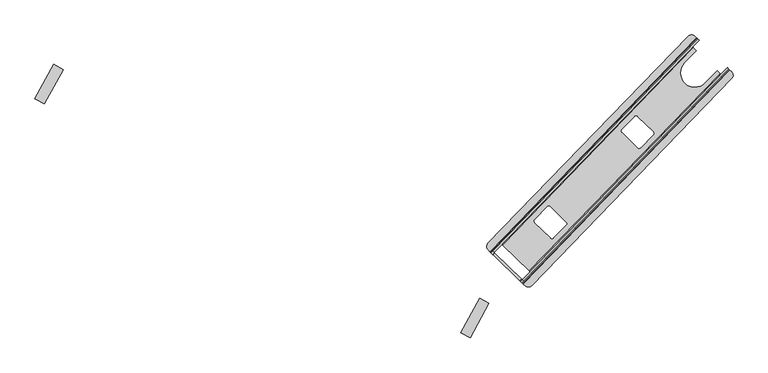
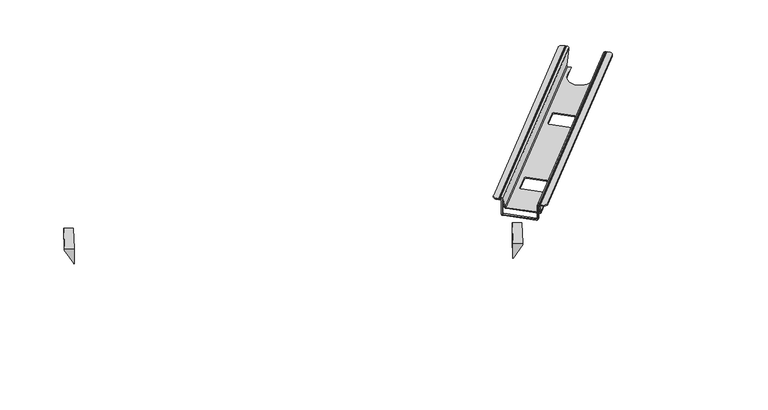
"""IFC4 building model written with IfcOpenShell, lengths in millimetres: furniture geometry."""

from ifc_helpers import new_model, si_unit, point, frame, frame_2d, origin, place, context, project, spatial, polyline, circle_curve, ellipse_curve, trimmed, segment, composite_curve, outline, extrude, source, transform, mapped, element, save
from ifc_brep_helpers import plane_surface, cylinder_surface, revolved_surface, advanced_brep


def furniture_286152d6(model_context):
    return source(origin(), model_context, "Body", "SolidModel", [
        advanced_brep(
        [(1772.1801517, -98.0018121, 543.7799265), (1772.1801517, -98.0018121, 539.8204247), (1770.0313229, -95.9249045, 539.8204247), (1770.0313229, -95.9249045, 543.7314043), (1773.6840332, -99.4553587, 548.8114043), (1774.8689874, -100.6006526, 548.8114043), (1774.8689874, -100.6006526, 545.8119265), (1773.6412357, -99.4139937, 545.8119265), (1699.9931411, -28.2308973, 543.7314044), (1699.9931411, -28.2308973, 539.8204247), (1697.8443137, -26.1539911, 539.8204247), (1697.8443137, -26.1539911, 543.7799266), (1696.3832297, -24.7418095, 545.8119264), (1694.8094284, -23.2206832, 545.8119264), (1694.8094284, -23.2206832, 548.8114043), (1696.3404309, -24.7004431, 548.8114043), (1183.6366747, -558.1681175, 501.4002168), (1187.654656, -562.0516172, 495.8122168), (1253.9545313, -626.1324388, 495.8122168), (1257.9725126, -630.0159385, 501.4002168), (1257.9725126, -630.0159385, 543.7799265), (1259.4335967, -631.4281201, 545.8119265), (1260.6613483, -632.614779, 545.8119265), (1260.6613483, -632.614779, 548.8114043), (1259.4763941, -631.4694851, 548.8114043), (1255.8236839, -627.9390309, 543.7314043), (1255.8236839, -627.9390309, 501.3313268), (1253.9973287, -626.1738038, 498.7913268), (1187.6118572, -562.0102508, 498.7913268), (1185.7855021, -560.2450237, 501.3313268), (1185.7855021, -560.2450237, 543.7314044), (1182.1327918, -556.7145695, 548.8114043), (1180.6017894, -555.2348096, 548.8114043), (1180.6017894, -555.2348096, 545.8119264), (1182.1755906, -556.7559358, 545.8119264), (1183.6366747, -558.1681175, 543.7799266), (1330.1300026, -519.7254436, 495.8122168), (1291.0331957, -481.5289052, 495.8122168), (1291.0331957, -481.5289052, 498.7913268), (1330.1300026, -519.7254436, 498.7913268), (1290.9305083, -474.3647562, 495.8122168), (1290.9305083, -474.3647562, 498.7913268), (1322.0551917, -442.1622566, 495.8122168), (1322.0551917, -442.1622566, 498.7913268), (1329.2579141, -442.0590056, 495.8122168), (1329.2579141, -442.0590056, 498.7913268), (1368.526956, -480.4235829, 495.8122168), (1368.526956, -480.4235829, 498.7913268), (1368.6106328, -487.6073172, 495.8122168), (1368.6106328, -487.6073172, 498.7913268), (1337.3137144, -519.6417779, 495.8122168), (1337.3137144, -519.6417779, 498.7913268), (1547.1489955, -295.1913038, 495.8122168), (1508.0521886, -256.9947654, 495.8122168), (1508.0521886, -256.9947654, 498.7913268), (1547.1489955, -295.1913038, 498.7913268), (1507.9495012, -249.8306164, 495.8122168), (1507.9495012, -249.8306164, 498.7913268), (1539.0741846, -217.6281168, 495.8122168), (1539.0741846, -217.6281168, 498.7913268), (1546.2769069, -217.5248658, 495.8122168), (1546.2769069, -217.5248658, 498.7913268), (1585.5459489, -255.8894431, 495.8122168), (1585.5459489, -255.8894431, 498.7913268), (1585.6296257, -263.0731774, 495.8122168), (1585.6296257, -263.0731774, 498.7913268), (1554.3327073, -295.1076381, 495.8122168), (1554.3327073, -295.1076381, 498.7913268), (1756.2621679, -114.3230085, 500.332968), (1751.6994057, -111.1511658, 495.8122168), (1744.0056814, -103.7149501, 495.8122168), (1744.4134245, -103.2930873, 498.7913268), (1752.1499462, -110.770668, 498.7913268), (1754.0403078, -112.1755139, 500.332968), (1684.2961139, -44.7656549, 500.332968), (1685.7644747, -46.6071151, 498.7913268), (1692.6906862, -53.3015066, 498.7913268), (1692.2829432, -53.7233694, 495.8122168), (1685.3995305, -47.0703442, 495.8122168), (1682.0742552, -42.6181617, 500.332968), (1754.5878851, -111.9031329, 501.3313268), (1756.7643554, -113.9514417, 501.4002168), (1682.4285175, -42.1036207, 501.4002168), (1684.5497033, -44.2091256, 501.3313268), (1714.9466045, -133.7803132, 498.7913268), (1714.9466045, -133.7803132, 495.8122168), (1663.2238663, -83.7887325, 495.8122168), (1663.2238663, -83.7887325, 498.7913268), (1263.4629056, -627.3449248, 548.8114043), (1261.8485041, -621.7055773, 543.7314043), (1278.8611907, -604.1037587, 501.3313268), (1279.1147755, -603.5472639, 500.3330164), (1281.3366275, -605.6947507, 500.3330164), (1280.9823779, -606.209265, 501.4002168), (1263.9778637, -623.8026282, 543.7799265), (1264.6236243, -626.0583672, 545.8119265), (1265.8513759, -627.245026, 545.8119265), (1264.6478598, -628.4902187, 548.8114043), (1184.5883009, -551.1102493, 548.8114043), (1185.791817, -549.8650566, 545.8119264), (1187.3656183, -551.3861829, 545.8119264), (1189.6420257, -551.9548072, 543.7799266), (1206.6465399, -534.361444, 501.4002168), (1207.1487012, -533.9898907, 500.3330164), (1209.3705519, -536.1373762, 500.3330164), (1208.8230089, -536.4097515, 501.3313268), (1191.8103222, -554.0115701, 543.7314044), (1186.1193033, -552.5900092, 548.8114043), (1277.6349203, -601.7176664, 498.7913268), (1211.2494488, -537.5541135, 498.7913268), (1211.6777952, -537.1965811, 495.8122168), (1277.9776705, -601.2774027, 495.8122168), (1264.6478598, -628.4902187, 545.8119265), (1263.4201082, -627.3035598, 545.8119265), (1261.9590241, -625.8913781, 543.7799265), (1261.9590241, -625.8913781, 501.4002168), (1257.9410428, -622.0078784, 495.8122168), (1191.6411675, -557.9270568, 495.8122168), (1187.6231862, -554.0435571, 501.4002168), (1187.6231862, -554.0435571, 543.7799266), (1186.1621021, -552.6313755, 545.8119264), (1184.5883009, -551.1102493, 545.8119264), (1189.7720136, -556.1204634, 543.7314044), (1189.7720136, -556.1204634, 501.3313268), (1191.5983687, -557.8856905, 498.7913268), (1257.9838402, -622.0492434, 498.7913268), (1259.8101954, -623.8144706, 501.3313268), (1259.8101954, -623.8144706, 543.7314043)],
        [
            (0, 1),
            (1, 2),
            (2, 3),
            (3, 4, circle_curve(frame((1773.6840332, -99.4553587, 543.7314043), z_axis=(0.6949713135982722, 0.71903746305425, 0.0), x_axis=(0.71903746305425, -0.6949713135982722, 0.0)), 5.0799999)),
            (4, 5),
            (5, 6),
            (6, 7),
            (7, 0, circle_curve(frame((1773.6412357, -99.4139937, 543.7799265), z_axis=(-0.6949713135982722, -0.71903746305425, 0.0), x_axis=(0.71903746305425, -0.6949713135982722, 0.0)), 2.0319999)),
            (8, 9),
            (9, 10),
            (10, 11),
            (11, 12, circle_curve(frame((1696.3832297, -24.7418095, 543.7799266), z_axis=(-0.6949713135982722, -0.71903746305425, 0.0), x_axis=(0.71903746305425, -0.6949713135982722, 0.0)), 2.0319999)),
            (12, 13),
            (13, 14),
            (14, 15),
            (15, 8, circle_curve(frame((1696.3404309, -24.7004431, 543.7314044), z_axis=(0.6949713135982722, 0.71903746305425, 0.0), x_axis=(0.71903746305425, -0.6949713135982722, 0.0)), 5.0799999)),
            (16, 17, circle_curve(frame((1187.654656, -562.0516172, 501.4002168), z_axis=(-0.6949713135982722, -0.71903746305425, 0.0), x_axis=(0.71903746305425, -0.6949713135982722, 0.0)), 5.588)),
            (17, 18),
            (18, 19, circle_curve(frame((1253.9545313, -626.1324388, 501.4002168), z_axis=(-0.6949713135982722, -0.71903746305425, 0.0), x_axis=(0.71903746305425, -0.6949713135982722, 0.0)), 5.588)),
            (19, 20),
            (20, 21, circle_curve(frame((1259.4335967, -631.4281201, 543.7799265), z_axis=(0.6949713135982722, 0.71903746305425, 0.0), x_axis=(0.71903746305425, -0.6949713135982722, 0.0)), 2.0319999)),
            (21, 22),
            (22, 23),
            (23, 24),
            (24, 25, circle_curve(frame((1259.4763941, -631.4694851, 543.7314043), z_axis=(-0.6949713135982722, -0.71903746305425, 0.0), x_axis=(0.71903746305425, -0.6949713135982722, 0.0)), 5.0799999)),
            (25, 26),
            (26, 27, circle_curve(frame((1253.9973287, -626.1738038, 501.3313268), z_axis=(0.6949713135982722, 0.71903746305425, 0.0), x_axis=(0.71903746305425, -0.6949713135982722, 0.0)), 2.54)),
            (27, 28),
            (28, 29, circle_curve(frame((1187.6118572, -562.0102508, 501.3313268), z_axis=(0.6949713135982722, 0.71903746305425, 0.0), x_axis=(0.71903746305425, -0.6949713135982722, 0.0)), 2.54)),
            (29, 30),
            (30, 31, circle_curve(frame((1182.1327918, -556.7145695, 543.7314044), z_axis=(-0.6949713135982722, -0.71903746305425, 0.0), x_axis=(0.71903746305425, -0.6949713135982722, 0.0)), 5.0799999)),
            (31, 32),
            (32, 33),
            (33, 34),
            (34, 35, circle_curve(frame((1182.1755906, -556.7559358, 543.7799266), z_axis=(0.6949713135982722, 0.71903746305425, 0.0), x_axis=(0.71903746305425, -0.6949713135982722, 0.0)), 2.0319999)),
            (35, 16),
            (36, 37),
            (37, 38),
            (38, 39),
            (39, 36),
            (37, 40, circle_curve(frame((1294.5832186, -477.8952105, 495.8122168), z_axis=(0.0, 0.0, -1.0), x_axis=(1.0, 0.0, 0.0)), 5.08)),
            (40, 41),
            (41, 38, circle_curve(frame((1294.5832186, -477.8952105, 498.7913268), z_axis=(0.0, 0.0, 1.0), x_axis=(1.0, 0.0, 0.0)), 5.08)),
            (40, 42),
            (42, 43),
            (43, 41),
            (42, 44, circle_curve(frame((1325.707902, -445.6927109, 495.8122168), z_axis=(0.0, 0.0, -1.0), x_axis=(1.0, 0.0, 0.0)), 5.08)),
            (44, 45),
            (45, 43, circle_curve(frame((1325.707902, -445.6927109, 498.7913268), z_axis=(0.0, 0.0, 1.0), x_axis=(1.0, 0.0, 0.0)), 5.08)),
            (44, 46),
            (46, 47),
            (47, 45),
            (46, 48, circle_curve(frame((1364.976944, -484.0572883, 495.8122168), z_axis=(0.0, 0.0, -1.0), x_axis=(1.0, 0.0, 0.0)), 5.08)),
            (48, 49),
            (49, 47, circle_curve(frame((1364.976944, -484.0572883, 498.7913268), z_axis=(0.0, 0.0, 1.0), x_axis=(1.0, 0.0, 0.0)), 5.08)),
            (48, 50),
            (50, 51),
            (51, 49),
            (39, 51, circle_curve(frame((1333.6800255, -516.0917489, 498.7913268), z_axis=(0.0, 0.0, 1.0), x_axis=(1.0, 0.0, 0.0)), 5.08)),
            (50, 36, circle_curve(frame((1333.6800255, -516.0917489, 495.8122168), z_axis=(0.0, 0.0, -1.0), x_axis=(1.0, 0.0, 0.0)), 5.08)),
            (52, 53),
            (53, 54),
            (54, 55),
            (55, 52),
            (53, 56, circle_curve(frame((1511.6022115, -253.3610707, 495.8122168), z_axis=(0.0, 0.0, -1.0), x_axis=(1.0, 0.0, 0.0)), 5.08)),
            (56, 57),
            (57, 54, circle_curve(frame((1511.6022115, -253.3610707, 498.7913268), z_axis=(0.0, 0.0, 1.0), x_axis=(1.0, 0.0, 0.0)), 5.08)),
            (56, 58),
            (58, 59),
            (59, 57),
            (58, 60, circle_curve(frame((1542.7268949, -221.1585711, 495.8122168), z_axis=(0.0, 0.0, -1.0), x_axis=(1.0, 0.0, 0.0)), 5.08)),
            (60, 61),
            (61, 59, circle_curve(frame((1542.7268949, -221.1585711, 498.7913268), z_axis=(0.0, 0.0, 1.0), x_axis=(1.0, 0.0, 0.0)), 5.08)),
            (60, 62),
            (62, 63),
            (63, 61),
            (62, 64, circle_curve(frame((1581.9959369, -259.5231485, 495.8122168), z_axis=(0.0, 0.0, -1.0), x_axis=(1.0, 0.0, 0.0)), 5.08)),
            (64, 65),
            (65, 63, circle_curve(frame((1581.9959369, -259.5231485, 498.7913268), z_axis=(0.0, 0.0, 1.0), x_axis=(1.0, 0.0, 0.0)), 5.08)),
            (64, 66),
            (66, 67),
            (67, 65),
            (55, 67, circle_curve(frame((1550.6990184, -291.5576091, 498.7913268), z_axis=(0.0, 0.0, 1.0), x_axis=(1.0, 0.0, 0.0)), 5.08)),
            (66, 52, circle_curve(frame((1550.6990184, -291.5576091, 495.8122168), z_axis=(0.0, 0.0, -1.0), x_axis=(1.0, 0.0, 0.0)), 5.08)),
            (68, 69, ellipse_curve(frame((1752.4642207, -110.359866, 501.4002168), z_axis=(0.6818737908203427, 0.7054863863892616, -0.19322808287543755), x_axis=(0.1342879745800179, 0.13893823050159151, 0.9811538656032922)), 5.695335, 5.588)),
            (69, 70),
            (70, 71),
            (71, 72),
            (72, 73, ellipse_curve(frame((1752.4975894, -110.4109863, 501.3313268), z_axis=(-0.6818737908203427, -0.7054863863892616, 0.19322808287543755), x_axis=(-0.1342879745800179, -0.13893823050159151, -0.9811538656032922)), 2.5887887, 2.54)),
            (73, 68),
            (74, 75, ellipse_curve(frame((1686.1121179, -46.2474334, 501.3313268), z_axis=(-0.6818737908203427, -0.7054863863892616, 0.19322808287543755), x_axis=(-0.1342879745800179, -0.13893823050159151, -0.9811538656032922)), 2.5887887, 2.54)),
            (75, 76),
            (76, 77),
            (77, 78),
            (78, 79, ellipse_curve(frame((1686.1643455, -46.2790444, 501.4002168), z_axis=(0.6818737908203427, 0.7054863863892616, -0.19322808287543755), x_axis=(0.1342879745800179, 0.13893823050159151, 0.9811538656032922)), 5.695335, 5.588)),
            (79, 74),
            (73, 80, ellipse_curve(frame((1752.76153, -110.1379057, 501.3313268), z_axis=(-0.6018628124775461, -0.6227047092776958, 0.49999999999999856), x_axis=(-0.34748565679913507, -0.359518731527124, -0.8660254037844396)), 2.9329394, 2.54)),
            (80, 2),
            (1, 81),
            (81, 68, ellipse_curve(frame((1752.7463741, -110.067942, 501.4002168), z_axis=(0.6018628124775461, 0.6227047092776958, -0.49999999999999856), x_axis=(0.34748565679913507, 0.359518731527124, 0.8660254037844396)), 6.4524666, 5.588)),
            (79, 82, ellipse_curve(frame((1686.4464988, -45.9871204, 501.4002168), z_axis=(0.6018628124775461, 0.6227047092776958, -0.49999999999999856), x_axis=(0.34748565679913507, 0.359518731527124, 0.8660254037844396)), 6.4524666, 5.588)),
            (82, 10),
            (9, 83),
            (83, 74, ellipse_curve(frame((1686.3760585, -45.9743528, 501.3313268), z_axis=(-0.6018628124775461, -0.6227047092776958, 0.49999999999999856), x_axis=(-0.34748565679913507, -0.359518731527124, -0.8660254037844396)), 2.9329394, 2.54)),
            (84, 71),
            (70, 85),
            (85, 84),
            (85, 86, circle_curve(frame((1689.0852354, -108.7845229, 495.8122168), z_axis=(0.0, 0.0, -1.0), x_axis=(1.0, 0.0, 0.0)), 35.9666505)),
            (86, 87),
            (87, 84, circle_curve(frame((1689.0852354, -108.7845229, 498.7913268), z_axis=(0.0, 0.0, 1.0), x_axis=(1.0, 0.0, 0.0)), 35.9666505)),
            (86, 77),
            (76, 87),
            (88, 89, ellipse_curve(frame((1265.5012143, -625.2360316, 543.7314043), z_axis=(-0.6018628124775458, -0.6227047092776952, -0.4999999999999996), x_axis=(0.3474856567991357, 0.3595187315271252, -0.8660254037844389)), 5.8658787, 5.0799999)),
            (89, 90),
            (90, 91, ellipse_curve(frame((1277.0348355, -602.3385316, 501.3313268), z_axis=(0.6018628124775458, 0.6227047092776952, 0.4999999999999996), x_axis=(-0.3474856567991357, -0.3595187315271252, 0.8660254037844389)), 2.9329394, 2.54)),
            (91, 92),
            (92, 93, ellipse_curve(frame((1276.9643965, -602.3257653, 501.4002168), z_axis=(-0.6018628124775458, -0.6227047092776952, -0.4999999999999996), x_axis=(0.3474856567991357, 0.3595187315271252, -0.8660254037844389)), 6.4524666, 5.588)),
            (93, 94),
            (94, 95, ellipse_curve(frame((1265.4389477, -625.2148099, 543.7799265), z_axis=(0.6018628124775458, 0.6227047092776952, 0.4999999999999996), x_axis=(-0.3474856567991357, -0.3595187315271252, 0.8660254037844389)), 2.3463514, 2.0319999)),
            (95, 96),
            (96, 97),
            (97, 88),
            (98, 99),
            (99, 100),
            (100, 101, ellipse_curve(frame((1188.1809417, -550.5426256, 543.7799266), z_axis=(0.6018628124775458, 0.6227047092776952, 0.4999999999999996), x_axis=(-0.3474856567991357, -0.3595187315271252, 0.8660254037844389)), 2.3463513, 2.0319999)),
            (101, 102),
            (102, 103, ellipse_curve(frame((1210.6645213, -538.2449437, 501.4002168), z_axis=(-0.6018628124775458, -0.6227047092776952, -0.4999999999999996), x_axis=(0.3474856567991357, 0.3595187315271252, -0.8660254037844389)), 6.4524666, 5.588)),
            (103, 104),
            (104, 105, ellipse_curve(frame((1210.649364, -538.1749786, 501.3313268), z_axis=(0.6018628124775458, 0.6227047092776952, 0.4999999999999996), x_axis=(-0.3474856567991357, -0.3595187315271252, 0.8660254037844389)), 2.9329394, 2.54)),
            (105, 106),
            (106, 107, ellipse_curve(frame((1188.157612, -550.481116, 543.7314044), z_axis=(-0.6018628124775458, -0.6227047092776952, -0.4999999999999996), x_axis=(0.3474856567991357, 0.3595187315271252, -0.8660254037844389)), 5.8658786, 5.0799999)),
            (107, 98),
            (91, 108, ellipse_curve(frame((1277.3062011, -602.0577689, 501.3313268), z_axis=(0.683225950260566, 0.7068853697350761, 0.18307204850837153), x_axis=(-0.1272298220349876, -0.13163566131560497, 0.983099499061488)), 2.5836652, 2.54)),
            (108, 109),
            (109, 104, ellipse_curve(frame((1210.9207296, -537.8942159, 501.3313268), z_axis=(0.683225950260566, 0.7068853697350761, 0.18307204850837153), x_axis=(-0.1272298220349876, -0.13163566131560497, 0.983099499061488)), 2.5836652, 2.54)),
            (103, 110, ellipse_curve(frame((1210.9546128, -537.9448065, 501.4002168), z_axis=(-0.683225950260566, -0.7068853697350761, -0.18307204850837153), x_axis=(0.1272298220349876, 0.13163566131560497, -0.983099499061488)), 5.6840635, 5.588)),
            (110, 111),
            (111, 92, ellipse_curve(frame((1277.2544881, -602.0256281, 501.4002168), z_axis=(-0.683225950260566, -0.7068853697350761, -0.18307204850837153), x_axis=(0.1272298220349876, 0.13163566131560497, -0.983099499061488)), 5.6840635, 5.588)),
            (97, 112),
            (112, 113),
            (113, 114, circle_curve(frame((1263.4201082, -627.3035598, 543.7799265), z_axis=(-0.6949713135982722, -0.71903746305425, 0.0), x_axis=(0.71903746305425, -0.6949713135982722, 0.0)), 2.0319999)),
            (114, 115),
            (115, 116, circle_curve(frame((1257.9410428, -622.0078784, 501.4002168), z_axis=(0.6949713135982722, 0.71903746305425, 0.0), x_axis=(0.71903746305425, -0.6949713135982722, 0.0)), 5.588)),
            (116, 117),
            (117, 118, circle_curve(frame((1191.6411675, -557.9270568, 501.4002168), z_axis=(0.6949713135982722, 0.71903746305425, 0.0), x_axis=(0.71903746305425, -0.6949713135982722, 0.0)), 5.588)),
            (118, 119),
            (119, 120, circle_curve(frame((1186.1621021, -552.6313755, 543.7799266), z_axis=(-0.6949713135982722, -0.71903746305425, 0.0), x_axis=(0.71903746305425, -0.6949713135982722, 0.0)), 2.0319999)),
            (120, 121),
            (121, 98),
            (107, 122, circle_curve(frame((1186.1193033, -552.5900092, 543.7314044), z_axis=(0.6949713135982722, 0.71903746305425, 0.0), x_axis=(0.71903746305425, -0.6949713135982722, 0.0)), 5.0799999)),
            (122, 123),
            (123, 124, circle_curve(frame((1191.5983687, -557.8856905, 501.3313268), z_axis=(-0.6949713135982722, -0.71903746305425, 0.0), x_axis=(0.71903746305425, -0.6949713135982722, 0.0)), 2.54)),
            (124, 125),
            (125, 126, circle_curve(frame((1257.9838402, -622.0492434, 501.3313268), z_axis=(-0.6949713135982722, -0.71903746305425, 0.0), x_axis=(0.71903746305425, -0.6949713135982722, 0.0)), 2.54)),
            (126, 127),
            (127, 88, circle_curve(frame((1263.4629056, -627.3449248, 543.7314043), z_axis=(0.6949713135982722, 0.71903746305425, 0.0), x_axis=(0.71903746305425, -0.6949713135982722, 0.0)), 5.0799999)),
            (16, 118),
            (117, 17),
            (78, 110),
            (102, 82),
            (116, 18),
            (69, 111),
            (81, 93),
            (115, 19),
            (114, 20),
            (0, 94),
            (113, 21),
            (7, 95),
            (112, 22),
            (6, 96),
            (97, 23),
            (5, 97),
            (4, 88),
            (88, 24),
            (127, 25),
            (3, 89),
            (80, 90),
            (126, 26),
            (125, 27),
            (72, 108),
            (75, 109),
            (124, 28),
            (83, 105),
            (123, 29),
            (122, 30),
            (8, 106),
            (107, 31),
            (15, 107),
            (14, 98),
            (98, 32),
            (121, 33),
            (13, 99),
            (120, 34),
            (12, 100),
            (119, 35),
            (11, 101),
        ],
        [
            plane_surface(frame((1705.8802764, -33.9209905, 501.4002168), z_axis=(0.6949713135982722, 0.71903746305425, 0.0), x_axis=(0.0, 0.0, 1.0))),
            plane_surface(frame((1191.6726374, -565.9351169, 501.4002168), z_axis=(-0.6949713135982722, -0.71903746305425, 0.0), x_axis=(0.0, 0.0, -1.0))),
            plane_surface(frame((1330.1300026, -519.7254436, 522.3460139), z_axis=(0.6988234067517797, 0.7152942374826159, 0.0), x_axis=(0.0, 0.0, -1.0))),
            revolved_surface(polyline([(1299.6632186, -477.8952105, 498.7913268), (1299.6632186, -477.8952105, 495.8122168)]), (1294.5832186, -477.8952105, 0.0), (0.0, 0.0, 1.0)),
            plane_surface(frame((1290.9305083, -474.3647562, 522.3460139), z_axis=(0.7190374630542508, -0.6949713135982716, 0.0), x_axis=(0.0, 0.0, -1.0))),
            revolved_surface(polyline([(1330.787902, -445.6927109, 498.7913268), (1330.787902, -445.6927109, 495.8122168)]), (1325.707902, -445.6927109, 0.0), (0.0, 0.0, 1.0)),
            plane_surface(frame((1329.2579141, -442.0590056, 522.3460139), z_axis=(-0.6988212627568764, -0.7152963321022167, 0.0), x_axis=(0.0, 0.0, -1.0))),
            revolved_surface(polyline([(1370.056944, -484.0572883, 498.7913268), (1370.056944, -484.0572883, 495.8122168)]), (1364.976944, -484.0572883, 0.0), (0.0, 0.0, 1.0)),
            plane_surface(frame((1368.6106328, -487.6073172, 522.3460139), z_axis=(-0.7152930749870916, 0.6988245966446166, 0.0), x_axis=(0.0, 0.0, -1.0))),
            revolved_surface(polyline([(1338.7600255, -516.0917489, 498.7913268), (1338.7600255, -516.0917489, 495.8122168)]), (1333.6800255, -516.0917489, 0.0), (0.0, 0.0, 1.0)),
            plane_surface(frame((1547.1489955, -295.1913038, 522.3460139), z_axis=(0.6988234067517799, 0.7152942374826154, 0.0), x_axis=(0.0, 0.0, -1.0))),
            revolved_surface(polyline([(1516.6822115, -253.3610707, 498.7913268), (1516.6822115, -253.3610707, 495.8122168)]), (1511.6022115, -253.3610707, 0.0), (0.0, 0.0, 1.0)),
            plane_surface(frame((1507.9495012, -249.8306164, 522.3460139), z_axis=(0.71903746305425, -0.6949713135982722, 0.0), x_axis=(0.0, 0.0, -1.0))),
            revolved_surface(polyline([(1547.8068948999999, -221.1585711, 498.7913268), (1547.8068948999999, -221.1585711, 495.8122168)]), (1542.7268949, -221.1585711, 0.0), (0.0, 0.0, 1.0)),
            plane_surface(frame((1546.2769069, -217.5248658, 522.3460139), z_axis=(-0.6988212627568758, -0.7152963321022173, 0.0), x_axis=(0.0, 0.0, -1.0))),
            revolved_surface(polyline([(1587.0759369, -259.5231485, 498.7913268), (1587.0759369, -259.5231485, 495.8122168)]), (1581.9959369, -259.5231485, 0.0), (0.0, 0.0, 1.0)),
            plane_surface(frame((1585.6296257, -263.0731774, 522.3460139), z_axis=(-0.7152930749870909, 0.6988245966446174, 0.0), x_axis=(0.0, 0.0, -1.0))),
            revolved_surface(polyline([(1555.7790184, -291.5576091, 498.7913268), (1555.7790184, -291.5576091, 495.8122168)]), (1550.6990184, -291.5576091, 0.0), (0.0, 0.0, 1.0)),
            plane_surface(frame((1782.9135883, -142.5842383, 491.1986443), z_axis=(0.6818737908203427, 0.7054863863892616, -0.19322808287543755), x_axis=(-0.71903746305425, 0.6949713135982724, 0.0))),
            plane_surface(frame((1784.1637794, -141.2907544, 500.332968), z_axis=(0.6018628124775461, 0.6227047092776958, -0.49999999999999856), x_axis=(-0.71903746305425, 0.6949713135982724, 0.0))),
            plane_surface(frame((1748.0446134, -99.536154, 522.3460139), z_axis=(-0.719037463054251, 0.6949713135982714, 0.0), x_axis=(0.0, 0.0, -1.0))),
            revolved_surface(polyline([(1725.0518859000001, -108.7845229, 498.7913268), (1725.0518859000001, -108.7845229, 495.8122168)]), (1689.0852354, -108.7845229, 0.0), (0.0, 0.0, 1.0)),
            plane_surface(frame((1663.2238663, -83.7887325, 522.3460139), z_axis=(0.7190374630542514, -0.6949713135982708, 0.0), x_axis=(0.0, 0.0, -1.0))),
            plane_surface(frame((1301.4334368, -664.0445841, 548.8114043), z_axis=(-0.6018628124775459, -0.6227047092776953, -0.4999999999999997), x_axis=(-0.7190374630542498, 0.6949713135982726, 0.0))),
            plane_surface(frame((1320.8849961, -643.9194372, 500.3330164), z_axis=(-0.683225950260566, -0.7068853697350761, -0.18307204850837153), x_axis=(-0.7190374630542498, 0.6949713135982726, 0.0))),
            plane_surface(frame((1301.4334368, -664.0445841, 487.8476528), z_axis=(0.6949713135982726, 0.7190374630542498, 0.0), x_axis=(-0.7190374630542498, 0.6949713135982726, 0.0))),
            cylinder_surface(frame((1187.654656, -562.0516172, 501.4002168), z_axis=(0.6949713135982722, 0.71903746305425, 0.0), x_axis=(0.71903746305425, -0.6949713135982722, 0.0)), 5.588),
            plane_surface(frame((1701.8622951, -30.0374908, 495.8122168), z_axis=(0.0, 0.0, -1.0), x_axis=(-0.6949713135982721, -0.7190374630542501, 0.0))),
            cylinder_surface(frame((1253.9545313, -626.1324388, 501.4002168), z_axis=(0.6949713135982722, 0.71903746305425, 0.0), x_axis=(0.71903746305425, -0.6949713135982722, 0.0)), 5.588),
            plane_surface(frame((1772.1801517, -98.0018121, 501.4002168), z_axis=(0.7190374630542501, -0.6949713135982721, 0.0), x_axis=(-0.6949713135982721, -0.7190374630542501, 0.0))),
            revolved_surface(polyline([(1260.8946807104774, -632.8403017837529, 543.7799265), (1264.881192241976, -628.7157414141974, 543.7799265)]), (1259.4335967, -631.4281201, 543.7799265), (-0.6949713135982722, -0.71903746305425, 0.0)),
            revolved_surface(polyline([(1266.0847082983703, -627.4705488213489, 543.7799265), (1775.1023197928362, -100.8261753667025, 543.7799265)]), (1259.4335967, -631.4281201, 543.7799265), (-0.6949713135982722, -0.71903746305425, 0.0)),
            plane_surface(frame((1773.6412357, -99.4139937, 545.8119265), z_axis=(0.0, 0.0, -1.0000000000000002), x_axis=(-0.6949713135982722, -0.7190374630542501, 0.0))),
            plane_surface(frame((1774.8689874, -100.6006526, 545.8119265), z_axis=(0.7190374630542501, -0.6949713135982721, 0.0), x_axis=(-0.6949713135982721, -0.7190374630542501, 0.0))),
            plane_surface(frame((1774.8689874, -100.6006526, 548.8114043), z_axis=(0.0, 0.0, 1.0), x_axis=(-0.6949713135982721, -0.7190374630542501, 0.0))),
            cylinder_surface(frame((1259.4763941, -631.4694851, 543.7314043), z_axis=(0.6949713135982722, 0.71903746305425, 0.0), x_axis=(0.71903746305425, -0.6949713135982722, 0.0)), 5.0799999),
            plane_surface(frame((1770.0313229, -95.9249045, 543.7314043), z_axis=(-0.7190374630542501, 0.6949713135982722, 0.0), x_axis=(-0.6949713135982722, -0.7190374630542501, 0.0))),
            revolved_surface(polyline([(1255.823683856158, -627.9390309365396, 501.3313268), (1259.8101953876567, -623.814470566984, 501.3313268)]), (1253.9973287, -626.1738038, 501.3313268), (-0.6949713135982722, -0.71903746305425, 0.0)),
            revolved_surface(polyline([(1277.8420362725024, -605.1582053797102, 501.3313268), (1755.6070395309184, -110.84868618477162, 501.3313268)]), (1253.9973287, -626.1738038, 501.3313268), (-0.6949713135982722, -0.71903746305425, 0.0)),
            plane_surface(frame((1768.2049678, -94.1596774, 498.7913268), z_axis=(0.0, 0.0, 1.0), x_axis=(-0.6949713135982721, -0.7190374630542501, 0.0))),
            revolved_surface(polyline([(1211.4565647725024, -540.9946523797103, 501.3313268), (1689.2215679809474, -46.68513323647312, 501.3313268)]), (1187.6118572, -562.0102508, 501.3313268), (-0.6949713135982722, -0.71903746305425, 0.0)),
            revolved_surface(polyline([(1189.438212356158, -563.7754779365396, 501.3313268), (1193.4247238465498, -559.6509176095144, 501.3313268)]), (1187.6118572, -562.0102508, 501.3313268), (-0.6949713135982722, -0.71903746305425, 0.0)),
            plane_surface(frame((1699.9931411, -28.2308973, 501.3313268), z_axis=(0.7190374630542501, -0.6949713135982721, 0.0), x_axis=(-0.6949713135982721, -0.7190374630542501, 0.0))),
            cylinder_surface(frame((1182.1327918, -556.7145695, 543.7314044), z_axis=(0.6949713135982722, 0.71903746305425, 0.0), x_axis=(0.71903746305425, -0.6949713135982722, 0.0)), 5.0799999),
            plane_surface(frame((1696.3404309, -24.7004431, 548.8114043), z_axis=(0.0, 0.0, 1.0), x_axis=(-0.694971313598272, -0.7190374630542502, 0.0))),
            plane_surface(frame((1694.8094284, -23.2206832, 548.8114043), z_axis=(-0.7190374630542501, 0.6949713135982721, 0.0), x_axis=(-0.6949713135982721, -0.7190374630542501, 0.0))),
            plane_surface(frame((1694.8094284, -23.2206832, 545.8119264), z_axis=(0.0, 0.0, -1.0), x_axis=(-0.6949713135982721, -0.7190374630542501, 0.0))),
            revolved_surface(polyline([(1183.6366746455967, -558.1681174474176, 543.7799266), (1187.6231861770952, -554.043557077862, 543.7799266)]), (1182.1755906, -556.7559358, 543.7799266), (-0.6949713135982722, -0.71903746305425, 0.0)),
            revolved_surface(polyline([(1188.8267022638775, -552.7983644535733, 543.7799266), (1697.8443136854103, -26.153991074385658, 543.7799266)]), (1182.1755906, -556.7559358, 543.7799266), (-0.6949713135982722, -0.71903746305425, 0.0)),
            plane_surface(frame((1697.8443137, -26.1539911, 543.7799266), z_axis=(-0.7190374630542501, 0.6949713135982721, 0.0), x_axis=(-0.6949713135982721, -0.7190374630542501, 0.0))),
        ],
        [
            (0, [[1, 2, 3, 4, 5, 6, 7, 8]]),
            (0, [[9, 10, 11, 12, 13, 14, 15, 16]]),
            (1, [[17, 18, 19, 20, 21, 22, 23, 24, 25, 26, 27, 28, 29, 30, 31, 32, 33, 34, 35, 36]]),
            (2, [[37, 38, 39, 40]]),
            (3, [[41, 42, 43, -38]]),
            (4, [[44, 45, 46, -42]]),
            (5, [[47, 48, 49, -45]]),
            (6, [[50, 51, 52, -48]]),
            (7, [[53, 54, 55, -51]]),
            (8, [[56, 57, 58, -54]]),
            (9, [[59, -57, 60, -40]]),
            (10, [[61, 62, 63, 64]]),
            (11, [[65, 66, 67, -62]]),
            (12, [[68, 69, 70, -66]]),
            (13, [[71, 72, 73, -69]]),
            (14, [[74, 75, 76, -72]]),
            (15, [[77, 78, 79, -75]]),
            (16, [[80, 81, 82, -78]]),
            (17, [[83, -81, 84, -64]]),
            (18, [[85, 86, 87, 88, 89, 90]]),
            (18, [[91, 92, 93, 94, 95, 96]]),
            (19, [[97, 98, -2, 99, 100, -90]]),
            (19, [[101, 102, -10, 103, 104, -96]]),
            (20, [[105, -87, 106, 107]]),
            (21, [[108, 109, 110, -107]]),
            (22, [[111, -93, 112, -109]]),
            (23, [[113, 114, 115, 116, 117, 118, 119, 120, 121, 122]]),
            (23, [[123, 124, 125, 126, 127, 128, 129, 130, 131, 132]]),
            (24, [[133, 134, 135, -128, 136, 137, 138, -116]]),
            (25, [[139, 140, 141, 142, 143, 144, 145, 146, 147, 148, 149, -132, 150, 151, 152, 153, 154, 155, 156, -122]]),
            (26, [[157, -145, 158, -17]]),
            (26, [[159, -136, -127, 160, -101, -95]]),
            (27, [[-158, -144, 161, -18]]),
            (27, [[162, -137, -159, -94, -111, -108, -106, -86], [-60, -56, -53, -50, -47, -44, -41, -37], [-84, -80, -77, -74, -71, -68, -65, -61]]),
            (28, [[-100, 163, -117, -138, -162, -85]]),
            (28, [[-161, -143, 164, -19]]),
            (29, [[-164, -142, 165, -20]]),
            (29, [[166, -118, -163, -99, -1]]),
            (30, [[-165, -141, 167, -21]]),
            (31, [[168, -119, -166, -8]]),
            (32, [[-167, -140, 169, -22]]),
            (32, [[170, -120, -168, -7]]),
            (33, [[-169, -139, 171, -23]]),
            (33, [[172, -121, -170, -6]]),
            (34, [[173, 174, -24, -171, -172, -5]]),
            (35, [[-174, -156, 175, -25]]),
            (35, [[176, -113, -173, -4]]),
            (36, [[-98, 177, -114, -176, -3]]),
            (36, [[-175, -155, 178, -26]]),
            (37, [[-178, -154, 179, -27]]),
            (38, [[180, -133, -115, -177, -97, -89]]),
            (39, [[-105, -110, -112, -92, 181, -134, -180, -88], [-43, -46, -49, -52, -55, -58, -59, -39], [-67, -70, -73, -76, -79, -82, -83, -63]]),
            (39, [[-179, -153, 182, -28]]),
            (40, [[-104, 183, -129, -135, -181, -91]]),
            (41, [[-182, -152, 184, -29]]),
            (42, [[-184, -151, 185, -30]]),
            (42, [[186, -130, -183, -103, -9]]),
            (43, [[-185, -150, 187, -31]]),
            (43, [[188, -131, -186, -16]]),
            (44, [[189, 190, -32, -187, -188, -15]]),
            (45, [[-190, -149, 191, -33]]),
            (45, [[192, -123, -189, -14]]),
            (46, [[-191, -148, 193, -34]]),
            (46, [[194, -124, -192, -13]]),
            (47, [[-193, -147, 195, -35]]),
            (48, [[196, -125, -194, -12]]),
            (49, [[-102, -160, -126, -196, -11]]),
            (49, [[-195, -146, -157, -36]]),
        ],
    ),
        advanced_brep(
        [(1776.7220962, -102.3917379, 548.8114043), (1262.5144571, -634.4058643, 548.8114043), (1266.7213021, -638.4719064, 548.8114043), (1282.8834224, -638.1968303, 548.8114043), (1781.2040172, -122.6199003, 548.8114043), (1780.9289411, -106.45778, 548.8114043), (1776.7220962, -102.3917379, 545.8119265), (1780.9289411, -106.45778, 545.8119265), (1781.2040172, -122.6199003, 545.8119265), (1282.8834224, -638.1968303, 545.8119265), (1266.7213021, -638.4719064, 545.8119265), (1262.5144571, -634.4058643, 545.8119265)],
        [
            (0, 1),
            (1, 2),
            (2, 3, circle_curve(frame((1274.6648242, -630.2533082, 548.8114043), z_axis=(0.0, 0.0, 1.0), x_axis=(1.0, 0.0, 0.0)), 11.43)),
            (3, 4),
            (4, 5, circle_curve(frame((1772.985419, -114.6763782, 548.8114043), z_axis=(0.0, 0.0, 1.0), x_axis=(1.0, 0.0, 0.0)), 11.43)),
            (5, 0),
            (6, 7),
            (7, 8, circle_curve(frame((1772.985419, -114.6763782, 545.8119265), z_axis=(0.0, 0.0, -1.0), x_axis=(1.0, 0.0, 0.0)), 11.43)),
            (8, 9),
            (9, 10, circle_curve(frame((1274.6648242, -630.2533082, 545.8119265), z_axis=(0.0, 0.0, -1.0), x_axis=(1.0, 0.0, 0.0)), 11.43)),
            (10, 11),
            (11, 6),
            (5, 7),
            (6, 0),
            (4, 8),
            (3, 9),
            (2, 10),
            (1, 11),
        ],
        [
            plane_surface(frame((1776.7220962, -102.3917379, 548.8114043), z_axis=(0.0, 0.0, 1.0), x_axis=(0.7190374630542551, -0.694971313598267, 0.0))),
            plane_surface(frame((1776.7220962, -102.3917379, 545.8119265), z_axis=(0.0, 0.0, -1.0), x_axis=(-0.7190374630542551, 0.694971313598267, 0.0))),
            plane_surface(frame((1776.7220962, -102.3917379, 548.8114043), z_axis=(0.694971313598267, 0.7190374630542551, 0.0), x_axis=(0.0, 0.0, -1.0))),
            cylinder_surface(frame((1772.985419, -114.6763782, 545.8119265), z_axis=(0.0, 0.0, 1.0), x_axis=(1.0, 0.0, 0.0)), 11.43),
            plane_surface(frame((1781.2040172, -122.6199003, 548.8114043), z_axis=(0.7190374630542558, -0.6949713135982664, 0.0), x_axis=(0.0, 0.0, -1.0))),
            cylinder_surface(frame((1274.6648242, -630.2533082, 545.8119265), z_axis=(0.0, 0.0, 1.0), x_axis=(1.0, 0.0, 0.0)), 11.43),
            plane_surface(frame((1266.7213021, -638.4719064, 548.8114043), z_axis=(-0.6949713135982748, -0.7190374630542476, 0.0), x_axis=(0.0, 0.0, -1.0))),
            plane_surface(frame((1262.5144571, -634.4058643, 548.8114043), z_axis=(-0.7190374630542534, 0.6949713135982687, 0.0), x_axis=(0.0, 0.0, -1.0))),
        ],
        [
            (0, [[1, 2, 3, 4, 5, 6]]),
            (1, [[7, 8, 9, 10, 11, 12]]),
            (2, [[13, -7, 14, -6]]),
            (3, [[15, -8, -13, -5]]),
            (4, [[16, -9, -15, -4]]),
            (5, [[17, -10, -16, -3]]),
            (6, [[18, -11, -17, -2]]),
            (7, [[-14, -12, -18, -1]]),
        ],
    ),
        advanced_brep(
        [(1693.3024533, -21.7641464, 548.8114043), (1688.9771185, -17.5835805, 548.8114043), (1672.8149982, -17.8586565, 548.8114043), (1174.4944034, -533.4355865, 548.8114043), (1174.7694795, -549.5977069, 548.8114043), (1179.0948142, -553.7782728, 548.8114043), (1693.3024533, -21.7641464, 545.8119265), (1179.0948142, -553.7782728, 545.8119265), (1174.7694795, -549.5977069, 545.8119265), (1174.4944034, -533.4355865, 545.8119265), (1672.8149982, -17.8586565, 545.8119265), (1688.9771185, -17.5835805, 545.8119265)],
        [
            (0, 1),
            (1, 2, circle_curve(frame((1681.0335964, -25.8021787, 548.8114043), z_axis=(0.0, 0.0, 1.0), x_axis=(1.0, 0.0, 0.0)), 11.43)),
            (2, 3),
            (3, 4, circle_curve(frame((1182.7130016, -541.3791087, 548.8114043), z_axis=(0.0, 0.0, 1.0), x_axis=(1.0, 0.0, 0.0)), 11.43)),
            (4, 5),
            (5, 0),
            (6, 7),
            (7, 8),
            (8, 9, circle_curve(frame((1182.7130016, -541.3791087, 545.8119265), z_axis=(0.0, 0.0, -1.0), x_axis=(1.0, 0.0, 0.0)), 11.43)),
            (9, 10),
            (10, 11, circle_curve(frame((1681.0335964, -25.8021787, 545.8119265), z_axis=(0.0, 0.0, -1.0), x_axis=(1.0, 0.0, 0.0)), 11.43)),
            (11, 6),
            (5, 7),
            (6, 0),
            (4, 8),
            (3, 9),
            (2, 10),
            (1, 11),
        ],
        [
            plane_surface(frame((1776.7220962, -102.3917379, 548.8114043), z_axis=(0.0, 0.0, 1.0), x_axis=(0.7190374630542551, -0.694971313598267, 0.0))),
            plane_surface(frame((1776.7220962, -102.3917379, 545.8119265), z_axis=(0.0, 0.0, -1.0), x_axis=(-0.7190374630542551, 0.694971313598267, 0.0))),
            plane_surface(frame((1693.3024533, -21.7641464, 548.8114043), z_axis=(0.7190374630542481, -0.6949713135982744, 0.0), x_axis=(0.0, 0.0, -1.0))),
            plane_surface(frame((1179.0948142, -553.7782728, 548.8114043), z_axis=(-0.6949713135982329, -0.719037463054288, 0.0), x_axis=(0.0, 0.0, -1.0))),
            cylinder_surface(frame((1182.7130016, -541.3791087, 0.0), z_axis=(0.0, 0.0, 1.0), x_axis=(1.0, 0.0, 0.0)), 11.43),
            plane_surface(frame((1174.4944034, -533.4355865, 548.8114043), z_axis=(-0.7190374630542459, 0.6949713135982766, 0.0), x_axis=(0.0, 0.0, -1.0))),
            cylinder_surface(frame((1681.0335964, -25.8021787, 0.0), z_axis=(0.0, 0.0, 1.0), x_axis=(1.0, 0.0, 0.0)), 11.43),
            plane_surface(frame((1688.9771185, -17.5835805, 548.8114043), z_axis=(0.6949713135982385, 0.7190374630542826, 0.0), x_axis=(0.0, 0.0, -1.0))),
        ],
        [
            (0, [[1, 2, 3, 4, 5, 6]]),
            (1, [[7, 8, 9, 10, 11, 12]]),
            (2, [[13, -7, 14, -6]]),
            (3, [[15, -8, -13, -5]]),
            (4, [[16, -9, -15, -4]]),
            (5, [[17, -10, -16, -3]]),
            (6, [[18, -11, -17, -2]]),
            (7, [[-14, -12, -18, -1]]),
        ],
    ),
        extrude(outline(composite_curve([segment(polyline([(0.7180343, 0.1927719), (-42.6124131, -24.8804384)]), True, "CONTINUOUS"), segment(trimmed(circle_curve(frame_2d((-43.4100789, -23.5019466)), 1.5926425), [point((-42.6124131, -24.8804384))], [point((-43.4100789, -25.0945892))], False, "CARTESIAN"), True, "CONTINUOUS"), segment(polyline([(-43.4100789, -25.0945892), (-47.0805507, -25.0945892), (-47.0805507, 1.5820998), (1.4259414, 1.5820998)]), True, "CONTINUOUS"), segment(trimmed(circle_curve(frame_2d((0.0, 1.433648)), 1.433648), [point((1.4259414, 1.5820998))], [point((0.7180343, 0.1927719))], False, "CARTESIAN"), True, "CONTINUOUS")], self_intersect=False)), frame((1107.9355306, -755.7915537, 501.7308536), z_axis=(0.48141248866053177, 0.8764941618525895, 0.0), x_axis=(0.0, 0.0, -1.0)), (0.0, 0.0, 1.0), 97.4054697),
        extrude(outline(composite_curve([segment(trimmed(circle_curve(frame_2d((-50.0618971, 1.433648)), 1.433648), [point((-50.0618972, 0.0))], [point((-51.370454, 0.8479641))], False, "CARTESIAN"), True, "CONTINUOUS"), segment(polyline([(-51.370454, 0.8479641), (-9.386268, 25.1421588), (3.9745966, 2.0524853), (0.7976658, 0.2141508)]), True, "CONTINUOUS"), segment(trimmed(circle_curve(frame_2d((0.0, 1.5926425)), 1.5926425), [point((0.7976658, 0.2141508))], [point((0.0, 0.0))], False, "CARTESIAN"), True, "CONTINUOUS"), segment(polyline([(0.0, 0.0), (-50.0618972, 0.0)]), True, "CONTINUOUS")], self_intersect=False)), frame((47.2035291, -173.1867839, 544.3432667), z_axis=(0.4814125556229308, 0.8764941250736359, 0.0), x_axis=(-0.4389869900843694, 0.24111268146147577, 0.8655374615665822)), (0.0, 0.0, 1.0), 97.4054697),
    ])


if __name__ == "__main__":
    model = new_model("IFC4")
    model_context = context("Model", 3, world=origin())
    ifc_project = project(units=[si_unit("LENGTHUNIT", "METRE", prefix="MILLI")], contexts=[model_context])
    site = spatial("IfcSite", under=ifc_project)
    building = spatial("IfcBuilding", under=site)
    placement = place(None, origin())
    furniture_shape = furniture_286152d6(model_context)
    element("IfcFurniture", 1, at=placement, inside=building, context=model_context, shape_type="MappedRepresentation", body=[
        mapped(furniture_shape, transform((0.0, 0.0, 0.0), x_axis=(1.0, 0.0, 0.0), y_axis=(0.0, 1.0, 0.0), z_axis=(0.0, 0.0, 1.0))),
    ])
    save(model, "model.ifc")
